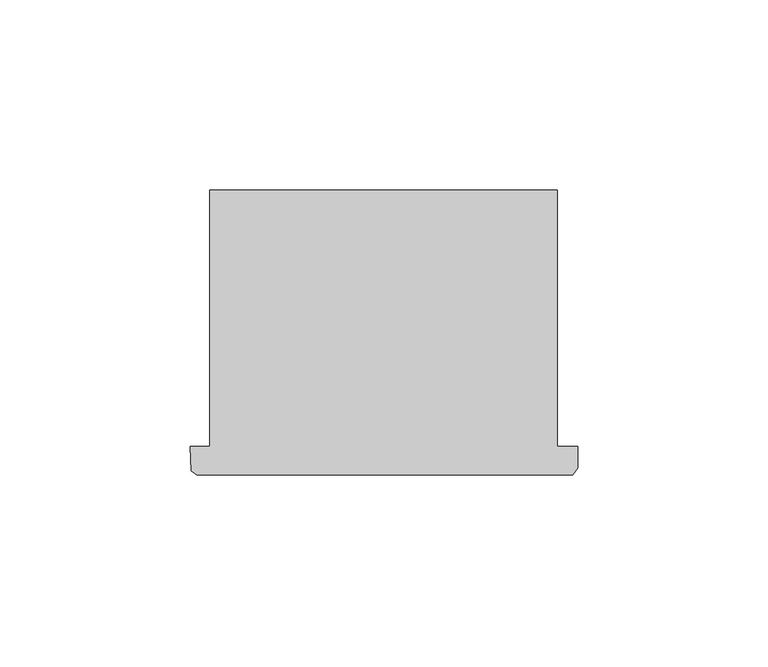
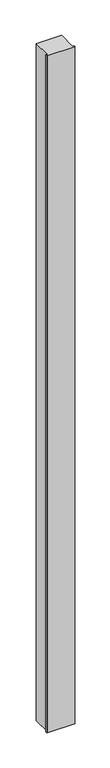
"""IFC4 building model written with IfcOpenShell, lengths in millimetres: column geometry."""

from ifc_helpers import new_model, si_unit, frame, origin, place, context, project, spatial, polyline, outline, extrude, source, transform, mapped, element, save


def column_646da2e3(model_context):
    return source(origin(), model_context, "Body", "SweptSolid", [
        extrude(outline(polyline([(48796.5998158, -43096.1136552), (48801.6909664, -43096.1136552), (48801.6909664, -43028.8247372), (48892.8977944, -43028.8247372), (48892.8977944, -43096.1136552), (48898.1998158, -43096.1136552), (48898.1998158, -43101.8032298), (48896.9626834, -43103.5767594), (48798.2400208, -43103.5767594), (48796.7517332, -43102.4946432), (48796.5998158, -43096.1136552)])), frame((0.0, 0.0, 4419.601524), z_axis=(0.0, 0.0, 1.0), x_axis=(1.0, 0.0, 0.0)), (0.0, 0.0, 1.0), 2590.8000565),
        extrude(outline(polyline([(48796.5998158, -43096.1136552), (48801.6909664, -43096.1136552), (48801.6909664, -43028.8247372), (48892.8977944, -43028.8247372), (48892.8977944, -43096.1136552), (48898.1998158, -43096.1136552), (48898.1998158, -43101.8032298), (48896.9626834, -43103.5767594), (48798.2400208, -43103.5767594), (48796.7517332, -43102.4946432), (48796.5998158, -43096.1136552)])), frame((0.0, 0.0, 4419.601524), z_axis=(0.0, 0.0, 1.0), x_axis=(1.0, 0.0, 0.0)), (0.0, 0.0, 1.0), 2590.8000565),
    ])


if __name__ == "__main__":
    model = new_model("IFC4")
    model_context = context("Model", 3, world=origin())
    ifc_project = project(units=[si_unit("LENGTHUNIT", "METRE", prefix="MILLI")], contexts=[model_context])
    site = spatial("IfcSite", under=ifc_project)
    building = spatial("IfcBuilding", under=site)
    placement = place(None, origin())
    column_shape = column_646da2e3(model_context)
    element("IfcColumn", 1, at=placement, inside=building, context=model_context, shape_type="MappedRepresentation", body=[
        mapped(column_shape, transform((0.0, 0.0, 0.0), x_axis=(1.0, 0.0, 0.0), y_axis=(0.0, 1.0, 0.0), z_axis=(0.0, 0.0, 1.0))),
    ])
    save(model, "model.ifc")
